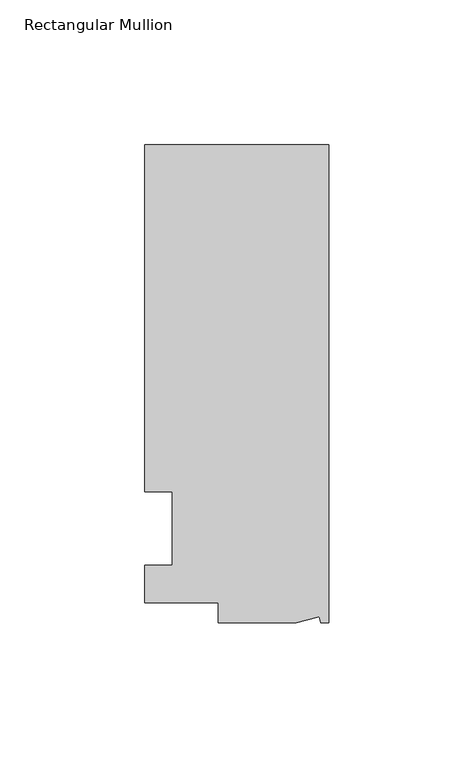
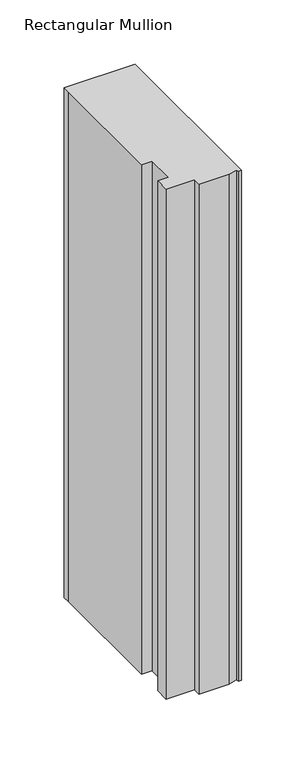
"""IFC4 building model written with IfcOpenShell, lengths in millimetres: member geometry, Rectangular Mullion."""

import ifcopenshell
import ifcopenshell.guid

model = None  # the IFC model being written
_history = None  # IfcOwnerHistory: only IFC2X3 demands one
_inside = {}  # id of a spatial element -> (the spatial element, [elements in it])
_under = {}  # id of a project, library or spatial element -> (it, [spatial elements below it])
_declared = {}  # id of a project -> (the project, [libraries it declares])
_typed = {}  # id of a type object -> (the type object, [elements of that type])
_made_of = {}  # id of a material, layer set ... -> (it, [elements and type objects made of it])


def new_model(schema):
    """Start an empty IFC model of exactly this schema.

    Asked for "IFC4X3", IfcOpenShell would pick the latest addendum, in which some entities
    have other attributes; the version numbers below select the first issue.
    IFC2X3 requires an IfcOwnerHistory on every rooted entity: one is made here for all.
    """
    global model, _history
    if schema == "IFC4X3":
        model = ifcopenshell.file(schema_version=(4, 3, 0, 0))
    else:
        model = ifcopenshell.file(schema=schema)
    _inside.clear()
    _under.clear()
    _declared.clear()
    _typed.clear()
    _made_of.clear()
    _history = None
    if model.schema == "IFC2X3":
        org = make("IfcOrganization", Name="unknown")
        user = make(
            "IfcPersonAndOrganization",
            ThePerson=make("IfcPerson", FamilyName="unknown"),
            TheOrganization=org,
        )
        app = make(
            "IfcApplication",
            ApplicationDeveloper=org,
            Version="unknown",
            ApplicationFullName="unknown",
            ApplicationIdentifier="unknown",
        )
        _history = make(
            "IfcOwnerHistory",
            OwningUser=user,
            OwningApplication=app,
            ChangeAction="ADDED",
            CreationDate=0,
        )
    return model


def make(cls, **values):
    """One entity of the class cls with the attributes given. An attribute that is None is left unset."""
    return model.create_entity(
        cls, **{name: value for name, value in values.items() if value is not None}
    )


def rooted(cls, **values):
    """An entity with a GlobalId (a new one), such as an element, a storey or a relation."""
    return make(cls, GlobalId=ifcopenshell.guid.new(), OwnerHistory=_history, **values)


def si_unit(unit_type, name, prefix=None):
    """IfcSIUnit, for example si_unit("LENGTHUNIT", "METRE", prefix="MILLI")."""
    return make("IfcSIUnit", UnitType=unit_type, Prefix=prefix, Name=name)


def assignment(units):
    """IfcUnitAssignment: the units of a project."""
    return None if units is None else make("IfcUnitAssignment", Units=units)


def point(xyz):
    """IfcCartesianPoint."""
    return None if xyz is None else make("IfcCartesianPoint", Coordinates=xyz)


def direction(xyz):
    """IfcDirection."""
    return None if xyz is None else make("IfcDirection", DirectionRatios=xyz)


def frame(location, z_axis=None, x_axis=None):
    """IfcAxis2Placement3D, a coordinate frame: its origin and axes. An axis left out is left unset."""
    return make(
        "IfcAxis2Placement3D",
        Location=point(location),
        Axis=direction(z_axis),
        RefDirection=direction(x_axis),
    )


def origin():
    """The frame at (0, 0, 0) with its axes left unset."""
    return frame((0.0, 0.0, 0.0))


def place(relative_to, where):
    """IfcLocalPlacement: puts the frame where relative to a parent placement (None: the world)."""
    return make(
        "IfcLocalPlacement", PlacementRelTo=relative_to, RelativePlacement=where
    )


def context(
    kind, dimensions, precision=None, world=None, true_north=None, identifier=None
):
    """IfcGeometricRepresentationContext, for example the 3D "Model" context."""
    return make(
        "IfcGeometricRepresentationContext",
        ContextIdentifier=identifier,
        ContextType=kind,
        CoordinateSpaceDimension=dimensions,
        Precision=precision,
        WorldCoordinateSystem=world,
        TrueNorth=true_north,
    )


def project(units=None, contexts=None):
    """IfcProject with its units and contexts."""
    return rooted(
        "IfcProject",
        Name="project",
        RepresentationContexts=contexts,
        UnitsInContext=assignment(units),
    )


def spatial(cls, under=None, at=None, **own):
    """A site, building, storey or space (cls), placed at a placement, below another one or the project."""
    s = rooted(cls, ObjectPlacement=at, **own)
    if under is not None:
        _under.setdefault(under.id(), (under, []))[1].append(s)
    return s


def polyline(points):
    """IfcPolyline through the points."""
    return make("IfcPolyline", Points=[point(p) for p in points])


def outline(outer, holes=None, kind="AREA"):
    """IfcArbitraryClosedProfileDef: a profile drawn as a closed curve; with holes, ...WithVoids."""
    if holes is None:
        return make("IfcArbitraryClosedProfileDef", ProfileType=kind, OuterCurve=outer)
    return make(
        "IfcArbitraryProfileDefWithVoids",
        ProfileType=kind,
        OuterCurve=outer,
        InnerCurves=holes,
    )


def extrude(swept, where, along, depth):
    """IfcExtrudedAreaSolid: the profile swept, set in the frame where, extruded along a direction by depth."""
    return make(
        "IfcExtrudedAreaSolid",
        SweptArea=swept,
        Position=where,
        ExtrudedDirection=direction(along),
        Depth=depth,
    )


def shape(context_of_items, identifier, shape_type, items):
    """IfcShapeRepresentation: the items that make up one representation, for example the "Body"."""
    return make(
        "IfcShapeRepresentation",
        ContextOfItems=context_of_items,
        RepresentationIdentifier=identifier,
        RepresentationType=shape_type,
        Items=items,
    )


def source(mapping_origin, context_of_items, identifier, shape_type, items):
    """IfcRepresentationMap: a shape defined once, which mapped items show again and again."""
    return make(
        "IfcRepresentationMap",
        MappingOrigin=mapping_origin,
        MappedRepresentation=shape(context_of_items, identifier, shape_type, items),
    )


def transform(
    local_origin,
    x_axis=None,
    y_axis=None,
    z_axis=None,
    scale=None,
    scale2=None,
    scale3=None,
    uniform=True,
):
    """IfcCartesianTransformationOperator3D, or its non-uniform kind. x_axis, y_axis, z_axis: its Axis1, 2, 3."""
    if uniform:
        return make(
            "IfcCartesianTransformationOperator3D",
            Axis1=direction(x_axis),
            Axis2=direction(y_axis),
            LocalOrigin=point(local_origin),
            Scale=scale,
            Axis3=direction(z_axis),
        )
    return make(
        "IfcCartesianTransformationOperator3DnonUniform",
        Axis1=direction(x_axis),
        Axis2=direction(y_axis),
        LocalOrigin=point(local_origin),
        Scale=scale,
        Axis3=direction(z_axis),
        Scale2=scale2,
        Scale3=scale3,
    )


def mapped(mapping_source, mapping_target):
    """IfcMappedItem: shows the shape of a source again, moved by a transform."""
    return make(
        "IfcMappedItem", MappingSource=mapping_source, MappingTarget=mapping_target
    )


def made_of(thing, what):
    """Note that an element or type object is made of a material, layer set ...; save() writes the relation."""
    if what is not None:
        _made_of.setdefault(what.id(), (what, []))[1].append(thing)
    return thing


def element(
    cls,
    number,
    at=None,
    inside=None,
    cuts=None,
    type_object=None,
    material=None,
    context=None,
    identifier="Body",
    shape_type=None,
    held_by="IfcProductDefinitionShape",
    body=None,
    shapes=None,
    **own,
):
    """One element of the class cls, such as IfcWall. Its Tag is "e" and its number.

    at: its placement. inside: the storey or other place that contains it. cuts: it is an
    opening in that element (IfcRelVoidsElement). A single representation is given by context,
    identifier, shape_type and body (its items); several are given by shapes. held_by: the class
    of the entity that holds the representations. save() writes the other relations.
    """
    e = rooted(cls, Tag="e%d" % number, ObjectPlacement=at, **own)
    if body is not None:
        shapes = [shape(context, identifier, shape_type, body)]
    if shapes is not None:
        e.Representation = make(held_by, Representations=shapes)
    if inside is not None:
        _inside.setdefault(inside.id(), (inside, []))[1].append(e)
    if cuts is not None:
        rooted(
            "IfcRelVoidsElement", RelatingBuildingElement=cuts, RelatedOpeningElement=e
        )
    if type_object is not None:
        _typed.setdefault(type_object.id(), (type_object, []))[1].append(e)
    return made_of(e, material)


def aggregate(whole, parts):
    """IfcRelAggregates: a whole, such as a stair, and the parts it consists of."""
    return rooted("IfcRelAggregates", RelatingObject=whole, RelatedObjects=parts)


def save(model, path):
    """Write the relations noted so far, then the file.

    IfcRelAggregates (storeys below a building ...), IfcRelContainedInSpatialStructure (elements
    in a storey), IfcRelDefinesByType, IfcRelAssociatesMaterial and IfcRelDeclares: one each for
    every whole, place, type object, material and project.
    """
    for whole, parts in _under.values():
        aggregate(whole, parts)
    for where, things in _inside.values():
        rooted(
            "IfcRelContainedInSpatialStructure",
            RelatedElements=things,
            RelatingStructure=where,
        )
    for kind, things in _typed.values():
        rooted("IfcRelDefinesByType", RelatedObjects=things, RelatingType=kind)
    for what, things in _made_of.values():
        rooted("IfcRelAssociatesMaterial", RelatedObjects=things, RelatingMaterial=what)
    for by, libraries in _declared.values():
        rooted("IfcRelDeclares", RelatingContext=by, RelatedDefinitions=libraries)
    model.write(path)


def rectangular_mullion_2e054c09(model_context):
    return source(origin(), model_context, "Body", "SweptSolid", [
        extrude(outline(polyline([(0.0, 132.5561012), (0.0, -32.5438988), (-2.7616541, -32.5438988), (-3.3341886, -30.4622958), (-11.121847, -32.5438988), (-38.1, -32.5438988), (-38.1, -25.5842988), (-63.5, -25.5842988), (-63.5, -12.5945801), (-53.975, -12.5945801), (-53.975, 12.8054199), (-63.5, 12.8054199), (-63.5, 126.2061012), (-63.5, 132.5561012), (0.0, 132.5561012)])), frame((0.0, 0.0, -482.6), z_axis=(0.0, 0.0, 1.0), x_axis=(1.0, 0.0, 0.0)), (0.0, 0.0, 1.0), 482.6),
    ])


if __name__ == "__main__":
    model = new_model("IFC4")
    model_context = context("Model", 3, world=origin())
    ifc_project = project(units=[si_unit("LENGTHUNIT", "METRE", prefix="MILLI")], contexts=[model_context])
    site = spatial("IfcSite", under=ifc_project)
    building = spatial("IfcBuilding", under=site)
    placement = place(None, origin())
    rectangular_mullion_shape = rectangular_mullion_2e054c09(model_context)
    element("IfcMember", 1, ObjectType="Rectangular Mullion", at=placement, inside=building, context=model_context, shape_type="MappedRepresentation", body=[
        mapped(rectangular_mullion_shape, transform((0.0, 0.0, 0.0), x_axis=(1.0, 0.0, 0.0), y_axis=(0.0, 1.0, 0.0), z_axis=(0.0, 0.0, 1.0))),
    ])
    save(model, "model.ifc")
